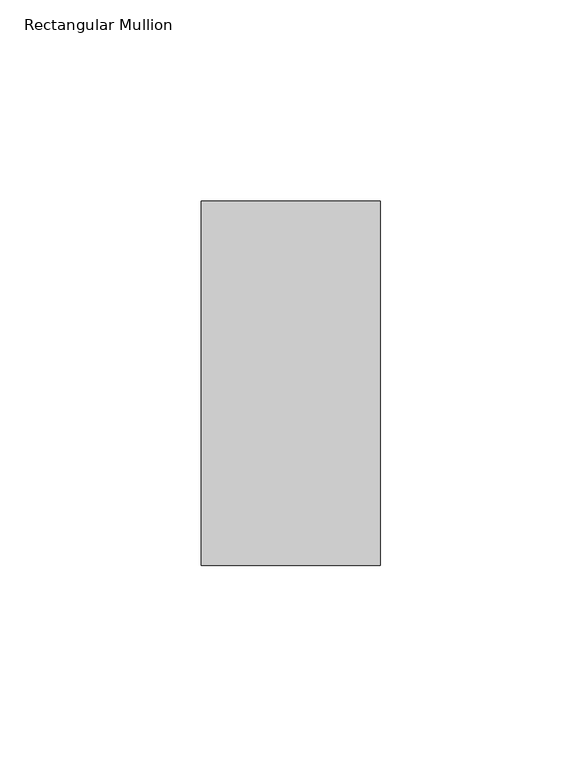
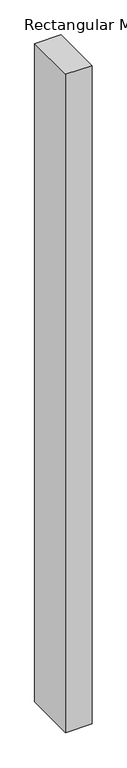
"""IFC4 building model written with IfcOpenShell, lengths in millimetres: member geometry, Rectangular Mullion."""

from ifc_helpers import new_model, si_unit, frame, origin, place, context, project, spatial, polyline, outline, extrude, source, transform, mapped, element, save


def rectangular_mullion_5f038023(model_context):
    return source(origin(), model_context, "Body", "SweptSolid", [
        extrude(outline(polyline([(0.0, 45.2274954), (0.0, -45.1980997), (-44.4386654, -45.1980997), (-44.4386654, 45.2274954), (0.0, 45.2274954)])), frame((0.0, 0.0, -1174.7539725), z_axis=(0.0, 0.0, 1.0), x_axis=(1.0, 0.0, 0.0)), (0.0, 0.0, 1.0), 1174.7539725),
    ])


if __name__ == "__main__":
    model = new_model("IFC4")
    model_context = context("Model", 3, world=origin())
    ifc_project = project(units=[si_unit("LENGTHUNIT", "METRE", prefix="MILLI")], contexts=[model_context])
    site = spatial("IfcSite", under=ifc_project)
    building = spatial("IfcBuilding", under=site)
    placement = place(None, origin())
    rectangular_mullion_shape = rectangular_mullion_5f038023(model_context)
    element("IfcMember", 1, ObjectType="Rectangular Mullion", at=placement, inside=building, context=model_context, shape_type="MappedRepresentation", body=[
        mapped(rectangular_mullion_shape, transform((0.0, 0.0, 0.0), x_axis=(1.0, 0.0, 0.0), y_axis=(0.0, 1.0, 0.0), z_axis=(0.0, 0.0, 1.0))),
    ])
    save(model, "model.ifc")
